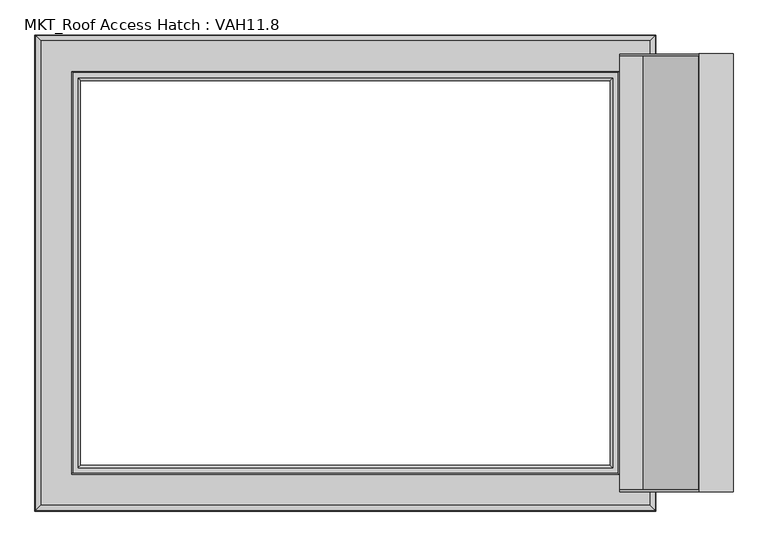
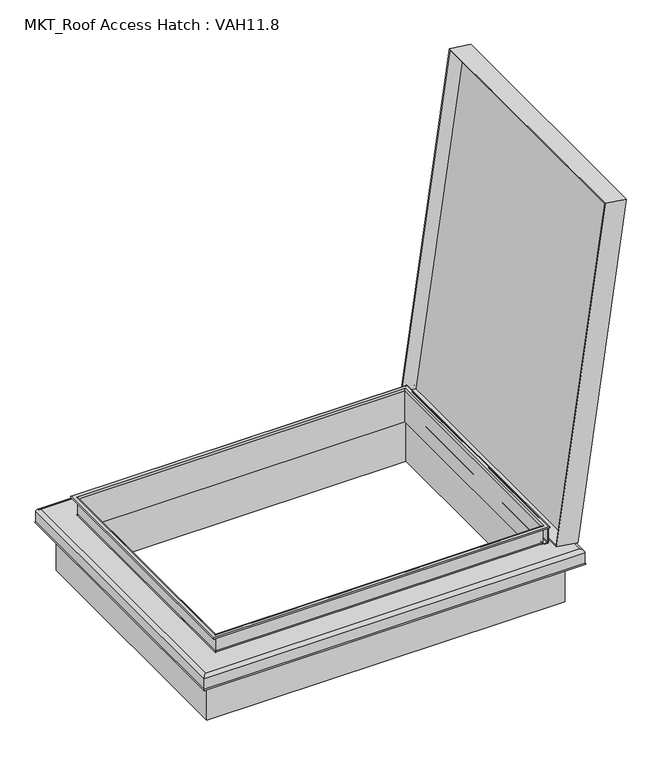
"""IFC4 building model written with IfcOpenShell, lengths in millimetres: proxy geometry, MKT_Roof Access Hatch : VAH11.8."""

from ifc_helpers import new_model, si_unit, point, frame, frame_2d, origin, origin_with_axes, place, context, project, spatial, polyline, circle_curve, ellipse_curve, trimmed, segment, composite_curve, outline, extrude, faceted_brep, source, transform, mapped, element, save
from ifc_brep_helpers import plane_surface, cylinder_surface, revolved_surface, advanced_brep


def mkt_roof_access_hatch_vah11_8_53b130dc(model_context):
    return source(origin(), model_context, "Body", "SolidModel", [
        faceted_brep([(569.0214917, 455.0, 215.4), (569.0214917, -455.0, 215.4), (733.2457509, -455.0, 1383.9163211), (733.2457509, 455.0, 1383.9163211), (569.7173572, 450.0, 220.3513403), (732.5498853, 450.0, 1378.9649808), (732.5498853, -450.0, 1378.9649808), (569.7173572, -450.0, 220.3513403), (640.3207927, 455.0, 205.3795367), (804.5450518, 455.0, 1373.8958578), (804.5450518, -455.0, 1373.8958578), (640.3207927, -455.0, 205.3795367), (617.2502245, 450.0, 213.6710315), (617.2502245, -450.0, 213.6710315), (780.0827526, -450.0, 1372.2846719), (780.0827526, 450.0, 1372.2846719)], [[[0, 1, 2, 3], [4, 5, 6, 7]], [[8, 9, 10, 11]], [[1, 0, 8, 11]], [[2, 1, 11, 10]], [[3, 2, 10, 9]], [[0, 3, 9, 8]], [[12, 13, 14, 15]], [[12, 15, 5, 4]], [[15, 14, 6, 5]], [[14, 13, 7, 6]], [[13, 12, 4, 7]]]),
        extrude(outline(composite_curve([segment(polyline([(261.5, 563.4), (261.5, 554.5), (259.5, 554.5), (259.5, 563.4)]), True, "CONTINUOUS"), segment(trimmed(circle_curve(frame_2d((256.9, 563.4)), 2.6), [point((259.5, 563.4))], [point((256.9, 566.0))], True, "CARTESIAN"), True, "CONTINUOUS"), segment(polyline([(256.9, 566.0), (207.1, 566.0)]), True, "CONTINUOUS"), segment(trimmed(circle_curve(frame_2d((207.1, 563.4)), 2.6), [point((207.1, 566.0))], [point((204.5, 563.4))], True, "CARTESIAN"), True, "CONTINUOUS"), segment(polyline([(204.5, 563.4), (204.5, 554.5), (202.5, 554.5), (202.5, 563.4)]), True, "CONTINUOUS"), segment(trimmed(circle_curve(frame_2d((207.1, 563.4)), 4.6), [point((202.5, 563.4))], [point((207.1, 568.0))], False, "CARTESIAN"), True, "CONTINUOUS"), segment(polyline([(207.1, 568.0), (256.9, 568.0)]), True, "CONTINUOUS"), segment(trimmed(circle_curve(frame_2d((256.9, 563.4)), 4.6), [point((256.9, 568.0))], [point((261.5, 563.4))], False, "CARTESIAN"), True, "CONTINUOUS")], self_intersect=False)), frame((0.0, -410.0, 0.0), z_axis=(0.0, 1.0, 0.0), x_axis=(0.0, 0.0, 1.0)), (0.0, 0.0, 1.0), 820.0),
        extrude(outline(polyline([(605.0, 439.4933468), (605.0, -442.0066532), (-605.0, -442.0066532), (-605.0, 439.4933468), (605.0, 439.4933468)]), holes=[polyline([(560.0, 410.0), (-560.0, 410.0), (-560.0, -410.0), (560.0, -410.0), (560.0, 410.0)])]), origin_with_axes(), (0.0, 0.0, 1.0), 199.5),
        advanced_brep(
        [(555.0, 405.0, 265.0), (550.0, 400.0, 260.0), (550.0, -400.0, 260.0), (555.0, -405.0, 265.0), (564.6688612, 414.6688612, 262.5), (566.25, 416.25, 265.0), (566.25, -416.25, 265.0), (564.6688612, -414.6688612, 262.5), (552.5, 402.5, 260.0), (555.0, 405.0, 262.5), (555.0, -405.0, 262.5), (552.5, -402.5, 260.0), (552.5, 402.5, 205.5), (552.5, -402.5, 205.5), (555.5, 405.5, 202.5), (555.5, -405.5, 202.5), (642.5, 492.5, 192.5), (632.5, 482.5, 202.5), (632.5, -482.5, 202.5), (642.5, -492.5, 192.5), (642.5, 492.5, 154.9494897), (642.5, -492.5, 154.9494897), (639.5, 489.5, 152.5), (639.5, -489.5, 152.5), (639.5, 489.5, 192.5), (639.5, -489.5, 192.5), (632.5, 482.5, 199.5), (632.5, -482.5, 199.5), (552.5, 402.5, 198.5), (553.5, 403.5, 199.5), (553.5, -403.5, 199.5), (552.5, -402.5, 198.5), (552.5, 402.5, 150.0), (552.5, -402.5, 150.0), (550.0, 400.0, 150.0), (550.0, -400.0, 150.0), (-550.0, -400.0, 260.0), (-555.0, -405.0, 265.0), (-566.25, -416.25, 265.0), (-564.6688612, -414.6688612, 262.5), (-555.0, -405.0, 262.5), (-552.5, -402.5, 260.0), (-552.5, -402.5, 205.5), (-555.5, -405.5, 202.5), (-632.5, -482.5, 202.5), (-642.5, -492.5, 192.5), (-642.5, -492.5, 154.9494897), (-639.5, -489.5, 152.5), (-639.5, -489.5, 192.5), (-632.5, -482.5, 199.5), (-553.5, -403.5, 199.5), (-552.5, -402.5, 198.5), (-552.5, -402.5, 150.0), (-550.0, -400.0, 150.0), (-550.0, 400.0, 260.0), (-555.0, 405.0, 265.0), (-566.25, 416.25, 265.0), (-564.6688612, 414.6688612, 262.5), (-555.0, 405.0, 262.5), (-552.5, 402.5, 260.0), (-552.5, 402.5, 205.5), (-555.5, 405.5, 202.5), (-632.5, 482.5, 202.5), (-642.5, 492.5, 192.5), (-642.5, 492.5, 154.9494897), (-639.5, 489.5, 152.5), (-639.5, 489.5, 192.5), (-632.5, 482.5, 199.5), (-553.5, 403.5, 199.5), (-552.5, 402.5, 198.5), (-552.5, 402.5, 150.0), (-550.0, 400.0, 150.0)],
        [
            (0, 1, ellipse_curve(frame((555.0, 405.0, 260.0), z_axis=(0.7071067811865475, -0.7071067811865475, 0.0), x_axis=(0.7071067811865474, 0.7071067811865476, 0.0)), 7.0710678, 5.0)),
            (1, 2),
            (2, 3, ellipse_curve(frame((555.0, -405.0, 260.0), z_axis=(0.7071067811865475, 0.7071067811865475, 0.0), x_axis=(-0.7071067811865474, 0.7071067811865476, 0.0)), 7.0710678, 5.0)),
            (3, 0),
            (4, 5, ellipse_curve(frame((566.25, 416.25, 263.25), z_axis=(0.7071067811865475, -0.7071067811865475, 0.0), x_axis=(0.7071067811865474, 0.7071067811865476, 0.0)), 2.4748737, 1.75)),
            (5, 6),
            (6, 7, ellipse_curve(frame((566.25, -416.25, 263.25), z_axis=(0.7071067811865475, 0.7071067811865475, 0.0), x_axis=(-0.7071067811865474, 0.7071067811865476, 0.0)), 2.4748737, 1.75)),
            (7, 4),
            (8, 9, ellipse_curve(frame((555.0, 405.0, 260.0), z_axis=(-0.7071067811865475, 0.7071067811865475, 0.0), x_axis=(-0.7071067811865474, -0.7071067811865476, 0.0)), 3.5355339, 2.5)),
            (9, 10),
            (10, 11, ellipse_curve(frame((555.0, -405.0, 260.0), z_axis=(-0.7071067811865475, -0.7071067811865475, 0.0), x_axis=(0.7071067811865474, -0.7071067811865476, 0.0)), 3.5355339, 2.5)),
            (11, 8),
            (12, 8),
            (11, 13),
            (13, 12),
            (14, 12, ellipse_curve(frame((555.5, 405.5, 205.5), z_axis=(-0.7071067811865475, 0.7071067811865475, 0.0), x_axis=(-0.7071067811865474, -0.7071067811865476, 0.0)), 4.2426407, 3.0)),
            (13, 15, ellipse_curve(frame((555.5, -405.5, 205.5), z_axis=(-0.7071067811865475, -0.7071067811865475, 0.0), x_axis=(0.7071067811865474, -0.7071067811865476, 0.0)), 4.2426407, 3.0)),
            (15, 14),
            (16, 17, ellipse_curve(frame((632.5, 482.5, 192.5), z_axis=(0.7071067811865475, -0.7071067811865475, 0.0), x_axis=(0.7071067811865474, 0.7071067811865476, 0.0)), 14.1421356, 10.0)),
            (17, 18),
            (18, 19, ellipse_curve(frame((632.5, -482.5, 192.5), z_axis=(0.7071067811865475, 0.7071067811865475, 0.0), x_axis=(-0.7071067811865474, 0.7071067811865476, 0.0)), 14.1421356, 10.0)),
            (19, 16),
            (20, 16),
            (19, 21),
            (21, 20),
            (22, 20, ellipse_curve(frame((642.0, 492.0, 152.5), z_axis=(0.7071067811865475, -0.7071067811865475, 0.0), x_axis=(0.7071067811865474, 0.7071067811865476, 0.0)), 3.5355339, 2.5)),
            (21, 23, ellipse_curve(frame((642.0, -492.0, 152.5), z_axis=(0.7071067811865475, 0.7071067811865475, 0.0), x_axis=(-0.7071067811865474, 0.7071067811865476, 0.0)), 3.5355339, 2.5)),
            (23, 22),
            (24, 22),
            (23, 25),
            (25, 24),
            (26, 24, ellipse_curve(frame((632.5, 482.5, 192.5), z_axis=(-0.7071067811865475, 0.7071067811865475, 0.0), x_axis=(-0.7071067811865474, -0.7071067811865476, 0.0)), 9.8994949, 7.0)),
            (25, 27, ellipse_curve(frame((632.5, -482.5, 192.5), z_axis=(-0.7071067811865475, -0.7071067811865475, 0.0), x_axis=(0.7071067811865474, -0.7071067811865476, 0.0)), 9.8994949, 7.0)),
            (27, 26),
            (28, 29, ellipse_curve(frame((553.5, 403.5, 198.5), z_axis=(-0.7071067811865475, 0.7071067811865475, 0.0), x_axis=(-0.7071067811865474, -0.7071067811865476, 0.0)), 1.4142136, 1.0)),
            (29, 30),
            (30, 31, ellipse_curve(frame((553.5, -403.5, 198.5), z_axis=(-0.7071067811865475, -0.7071067811865475, 0.0), x_axis=(0.7071067811865474, -0.7071067811865476, 0.0)), 1.4142136, 1.0)),
            (31, 28),
            (32, 28),
            (31, 33),
            (33, 32),
            (1, 34),
            (34, 35),
            (35, 2),
            (2, 36),
            (36, 37, ellipse_curve(frame((-555.0, -405.0, 260.0), z_axis=(0.7071067811865475, -0.7071067811865475, 0.0), x_axis=(0.7071067811865476, 0.7071067811865474, 0.0)), 7.0710678, 5.0)),
            (37, 3),
            (6, 38),
            (38, 39, ellipse_curve(frame((-566.25, -416.25, 263.25), z_axis=(0.7071067811865475, -0.7071067811865475, 0.0), x_axis=(0.7071067811865476, 0.7071067811865474, 0.0)), 2.4748737, 1.75)),
            (39, 7),
            (10, 40),
            (40, 41, ellipse_curve(frame((-555.0, -405.0, 260.0), z_axis=(-0.7071067811865475, 0.7071067811865475, 0.0), x_axis=(-0.7071067811865476, -0.7071067811865474, 0.0)), 3.5355339, 2.5)),
            (41, 11),
            (41, 42),
            (42, 13),
            (42, 43, ellipse_curve(frame((-555.5, -405.5, 205.5), z_axis=(-0.7071067811865475, 0.7071067811865475, 0.0), x_axis=(-0.7071067811865476, -0.7071067811865474, 0.0)), 4.2426407, 3.0)),
            (43, 15),
            (18, 44),
            (44, 45, ellipse_curve(frame((-632.5, -482.5, 192.5), z_axis=(0.7071067811865475, -0.7071067811865475, 0.0), x_axis=(0.7071067811865476, 0.7071067811865474, 0.0)), 14.1421356, 10.0)),
            (45, 19),
            (45, 46),
            (46, 21),
            (46, 47, ellipse_curve(frame((-642.0, -492.0, 152.5), z_axis=(0.7071067811865475, -0.7071067811865475, 0.0), x_axis=(0.7071067811865476, 0.7071067811865474, 0.0)), 3.5355339, 2.5)),
            (47, 23),
            (47, 48),
            (48, 25),
            (48, 49, ellipse_curve(frame((-632.5, -482.5, 192.5), z_axis=(-0.7071067811865475, 0.7071067811865475, 0.0), x_axis=(-0.7071067811865476, -0.7071067811865474, 0.0)), 9.8994949, 7.0)),
            (49, 27),
            (30, 50),
            (50, 51, ellipse_curve(frame((-553.5, -403.5, 198.5), z_axis=(-0.7071067811865475, 0.7071067811865475, 0.0), x_axis=(-0.7071067811865476, -0.7071067811865474, 0.0)), 1.4142136, 1.0)),
            (51, 31),
            (51, 52),
            (52, 33),
            (35, 53),
            (53, 36),
            (36, 54),
            (54, 55, ellipse_curve(frame((-555.0, 405.0, 260.0), z_axis=(-0.7071067811865475, -0.7071067811865475, 0.0), x_axis=(0.7071067811865474, -0.7071067811865476, 0.0)), 7.0710678, 5.0)),
            (55, 37),
            (38, 56),
            (56, 57, ellipse_curve(frame((-566.25, 416.25, 263.25), z_axis=(-0.7071067811865475, -0.7071067811865475, 0.0), x_axis=(0.7071067811865474, -0.7071067811865476, 0.0)), 2.4748737, 1.75)),
            (57, 39),
            (40, 58),
            (58, 59, ellipse_curve(frame((-555.0, 405.0, 260.0), z_axis=(0.7071067811865475, 0.7071067811865475, 0.0), x_axis=(-0.7071067811865474, 0.7071067811865476, 0.0)), 3.5355339, 2.5)),
            (59, 41),
            (59, 60),
            (60, 42),
            (60, 61, ellipse_curve(frame((-555.5, 405.5, 205.5), z_axis=(0.7071067811865475, 0.7071067811865475, 0.0), x_axis=(-0.7071067811865474, 0.7071067811865476, 0.0)), 4.2426407, 3.0)),
            (61, 43),
            (44, 62),
            (62, 63, ellipse_curve(frame((-632.5, 482.5, 192.5), z_axis=(-0.7071067811865475, -0.7071067811865475, 0.0), x_axis=(0.7071067811865474, -0.7071067811865476, 0.0)), 14.1421356, 10.0)),
            (63, 45),
            (63, 64),
            (64, 46),
            (64, 65, ellipse_curve(frame((-642.0, 492.0, 152.5), z_axis=(-0.7071067811865475, -0.7071067811865475, 0.0), x_axis=(0.7071067811865474, -0.7071067811865476, 0.0)), 3.5355339, 2.5)),
            (65, 47),
            (65, 66),
            (66, 48),
            (66, 67, ellipse_curve(frame((-632.5, 482.5, 192.5), z_axis=(0.7071067811865475, 0.7071067811865475, 0.0), x_axis=(-0.7071067811865474, 0.7071067811865476, 0.0)), 9.8994949, 7.0)),
            (67, 49),
            (50, 68),
            (68, 69, ellipse_curve(frame((-553.5, 403.5, 198.5), z_axis=(0.7071067811865475, 0.7071067811865475, 0.0), x_axis=(-0.7071067811865474, 0.7071067811865476, 0.0)), 1.4142136, 1.0)),
            (69, 51),
            (69, 70),
            (70, 52),
            (53, 71),
            (71, 54),
            (54, 1),
            (0, 55),
            (5, 56),
            (4, 57),
            (9, 58),
            (8, 59),
            (12, 60),
            (14, 61),
            (17, 62),
            (16, 63),
            (20, 64),
            (22, 65),
            (24, 66),
            (26, 67),
            (29, 68),
            (28, 69),
            (32, 70),
            (34, 71),
        ],
        [
            cylinder_surface(frame((555.0, 494.5, 260.0), z_axis=(0.0, 1.0, 0.0), x_axis=(-1.0, 0.0, 0.0)), 5.0),
            cylinder_surface(frame((566.25, 494.5, 263.25), z_axis=(0.0, 1.0, 0.0), x_axis=(-1.0, 0.0, 0.0)), 1.75),
            revolved_surface(polyline([(552.5, -407.49999999580496, 260.0), (552.5, 407.49999999580496, 260.0)]), (555.0, 494.5, 260.0), (0.0, -1.0, 0.0)),
            plane_surface(frame((552.5, 402.5, 260.0), z_axis=(1.0, 0.0, 0.0), x_axis=(0.0, -1.0, 0.0))),
            revolved_surface(polyline([(552.5, -408.500000009108, 205.5), (552.5, 408.500000009108, 205.5)]), (555.5, 494.5, 205.5), (0.0, -1.0, 0.0)),
            cylinder_surface(frame((632.5, 494.5, 192.5), z_axis=(0.0, 1.0, 0.0), x_axis=(-1.0, 0.0, 0.0)), 10.0),
            plane_surface(frame((642.5, 492.5, 192.5), z_axis=(1.0, 0.0, 0.0), x_axis=(0.0, -1.0, 0.0))),
            cylinder_surface(frame((642.0, 494.5, 152.5), z_axis=(0.0, 1.0, 0.0), x_axis=(-1.0, 0.0, 0.0)), 2.5),
            plane_surface(frame((639.5, 489.5, 152.5), z_axis=(-1.0, 0.0, 0.0), x_axis=(0.0, -1.0, 0.0))),
            revolved_surface(polyline([(625.5, -489.5, 192.5), (625.5, 489.5, 192.5)]), (632.5, 494.5, 192.5), (0.0, -1.0, 0.0)),
            revolved_surface(polyline([(552.5, -404.50000002660624, 198.5), (552.5, 404.50000002660624, 198.5)]), (553.5, 494.5, 198.5), (0.0, -1.0, 0.0)),
            plane_surface(frame((552.5, 402.5, 198.5), z_axis=(1.0, 0.0, 0.0), x_axis=(0.0, -1.0, 0.0))),
            plane_surface(frame((550.0, 400.0, 150.0), z_axis=(-1.0, 0.0, 0.0), x_axis=(0.0, -1.0, 0.0))),
            cylinder_surface(frame((644.5, -405.0, 260.0), z_axis=(1.0, 0.0, 0.0), x_axis=(0.0, 1.0, 0.0)), 5.0),
            cylinder_surface(frame((644.5, -416.25, 263.25), z_axis=(1.0, 0.0, 0.0), x_axis=(0.0, 1.0, 0.0)), 1.75),
            revolved_surface(polyline([(-557.499999995805, -402.5, 260.0), (557.499999995805, -402.5, 260.0)]), (644.5, -405.0, 260.0), (-1.0, 0.0, 0.0)),
            plane_surface(frame((552.5, -402.5, 260.0), z_axis=(0.0, -1.0, 0.0), x_axis=(-1.0, 0.0, 0.0))),
            revolved_surface(polyline([(-558.5000000091081, -402.5, 205.5), (558.500000009108, -402.5, 205.5)]), (644.5, -405.5, 205.5), (-1.0, 0.0, 0.0)),
            cylinder_surface(frame((644.5, -482.5, 192.5), z_axis=(1.0, 0.0, 0.0), x_axis=(0.0, 1.0, 0.0)), 10.0),
            plane_surface(frame((642.5, -492.5, 192.5), z_axis=(0.0, -1.0, 0.0), x_axis=(-1.0, 0.0, 0.0))),
            cylinder_surface(frame((644.5, -492.0, 152.5), z_axis=(1.0, 0.0, 0.0), x_axis=(0.0, 1.0, 0.0)), 2.5),
            plane_surface(frame((639.5, -489.5, 152.5), z_axis=(0.0, 1.0, 0.0), x_axis=(-1.0, 0.0, 0.0))),
            revolved_surface(polyline([(-639.5, -475.5, 192.5), (639.5, -475.5, 192.5)]), (644.5, -482.5, 192.5), (-1.0, 0.0, 0.0)),
            revolved_surface(polyline([(-554.5000000266061, -402.5, 198.5), (554.5000000266062, -402.5, 198.5)]), (644.5, -403.5, 198.5), (-1.0, 0.0, 0.0)),
            plane_surface(frame((552.5, -402.5, 198.5), z_axis=(0.0, -1.0, 0.0), x_axis=(-1.0, 0.0, 0.0))),
            plane_surface(frame((550.0, -400.0, 150.0), z_axis=(0.0, 1.0, 0.0), x_axis=(-1.0, 0.0, 0.0))),
            cylinder_surface(frame((-555.0, -494.5, 260.0), z_axis=(0.0, -1.0, 0.0), x_axis=(1.0, 0.0, 0.0)), 5.0),
            cylinder_surface(frame((-566.25, -494.5, 263.25), z_axis=(0.0, -1.0, 0.0), x_axis=(1.0, 0.0, 0.0)), 1.75),
            revolved_surface(polyline([(-552.5, 407.49999999580496, 260.0), (-552.5, -407.49999999580496, 260.0)]), (-555.0, -494.5, 260.0), (0.0, 1.0, 0.0)),
            plane_surface(frame((-552.5, -402.5, 260.0), z_axis=(-1.0, 0.0, 0.0), x_axis=(0.0, 1.0, 0.0))),
            revolved_surface(polyline([(-552.5, 408.500000009108, 205.5), (-552.5, -408.500000009108, 205.5)]), (-555.5, -494.5, 205.5), (0.0, 1.0, 0.0)),
            cylinder_surface(frame((-632.5, -494.5, 192.5), z_axis=(0.0, -1.0, 0.0), x_axis=(1.0, 0.0, 0.0)), 10.0),
            plane_surface(frame((-642.5, -492.5, 192.5), z_axis=(-1.0, 0.0, 0.0), x_axis=(0.0, 1.0, 0.0))),
            cylinder_surface(frame((-642.0, -494.5, 152.5), z_axis=(0.0, -1.0, 0.0), x_axis=(1.0, 0.0, 0.0)), 2.5),
            plane_surface(frame((-639.5, -489.5, 152.5), z_axis=(1.0, 0.0, 0.0), x_axis=(0.0, 1.0, 0.0))),
            revolved_surface(polyline([(-625.5, 489.5, 192.5), (-625.5, -489.5, 192.5)]), (-632.5, -494.5, 192.5), (0.0, 1.0, 0.0)),
            revolved_surface(polyline([(-552.5, 404.50000002660624, 198.5), (-552.5, -404.50000002660624, 198.5)]), (-553.5, -494.5, 198.5), (0.0, 1.0, 0.0)),
            plane_surface(frame((-552.5, -402.5, 198.5), z_axis=(-1.0, 0.0, 0.0), x_axis=(0.0, 1.0, 0.0))),
            plane_surface(frame((-550.0, -400.0, 150.0), z_axis=(1.0, 0.0, 0.0), x_axis=(0.0, 1.0, 0.0))),
            cylinder_surface(frame((-644.5, 405.0, 260.0), z_axis=(-1.0, 0.0, 0.0), x_axis=(0.0, -1.0, 0.0)), 5.0),
            plane_surface(frame((-555.0, 405.0, 265.0), z_axis=(0.0, 0.0, 1.0), x_axis=(1.0, 0.0, 0.0))),
            cylinder_surface(frame((-644.5, 416.25, 263.25), z_axis=(-1.0, 0.0, 0.0), x_axis=(0.0, -1.0, 0.0)), 1.75),
            plane_surface(frame((-564.6688612, 414.6688612, 262.5), z_axis=(0.0, 0.0, -1.0), x_axis=(1.0, 0.0, 0.0))),
            revolved_surface(polyline([(557.499999995805, 402.5, 260.0), (-557.499999995805, 402.5, 260.0)]), (-644.5, 405.0, 260.0), (1.0, 0.0, 0.0)),
            plane_surface(frame((-552.5, 402.5, 260.0), z_axis=(0.0, 1.0, 0.0), x_axis=(1.0, 0.0, 0.0))),
            revolved_surface(polyline([(558.5000000091081, 402.5, 205.5), (-558.500000009108, 402.5, 205.5)]), (-644.5, 405.5, 205.5), (1.0, 0.0, 0.0)),
            plane_surface(frame((-555.5, 405.5, 202.5), z_axis=(0.0, 0.0, 1.0), x_axis=(1.0, 0.0, 0.0))),
            cylinder_surface(frame((-644.5, 482.5, 192.5), z_axis=(-1.0, 0.0, 0.0), x_axis=(0.0, -1.0, 0.0)), 10.0),
            plane_surface(frame((-642.5, 492.5, 192.5), z_axis=(0.0, 1.0, 0.0), x_axis=(1.0, 0.0, 0.0))),
            cylinder_surface(frame((-644.5, 492.0, 152.5), z_axis=(-1.0, 0.0, 0.0), x_axis=(0.0, -1.0, 0.0)), 2.5),
            plane_surface(frame((-639.5, 489.5, 152.5), z_axis=(0.0, -1.0, 0.0), x_axis=(1.0, 0.0, 0.0))),
            revolved_surface(polyline([(639.5, 475.5, 192.5), (-639.5, 475.5, 192.5)]), (-644.5, 482.5, 192.5), (1.0, 0.0, 0.0)),
            plane_surface(frame((-632.5, 482.5, 199.5), z_axis=(0.0, 0.0, -1.0), x_axis=(1.0, 0.0, 0.0))),
            revolved_surface(polyline([(554.5000000266061, 402.5, 198.5), (-554.5000000266062, 402.5, 198.5)]), (-644.5, 403.5, 198.5), (1.0, 0.0, 0.0)),
            plane_surface(frame((-552.5, 402.5, 198.5), z_axis=(0.0, 1.0, 0.0), x_axis=(1.0, 0.0, 0.0))),
            plane_surface(frame((-552.5, 402.5, 150.0), z_axis=(0.0, 0.0, -1.0), x_axis=(1.0, 0.0, 0.0))),
            plane_surface(frame((-550.0, 400.0, 150.0), z_axis=(0.0, -1.0, 0.0), x_axis=(1.0, 0.0, 0.0))),
        ],
        [
            (0, [[1, 2, 3, 4]]),
            (1, [[5, 6, 7, 8]]),
            (2, [[9, 10, 11, 12]]),
            (3, [[13, -12, 14, 15]]),
            (4, [[16, -15, 17, 18]]),
            (5, [[19, 20, 21, 22]]),
            (6, [[23, -22, 24, 25]]),
            (7, [[26, -25, 27, 28]]),
            (8, [[29, -28, 30, 31]]),
            (9, [[32, -31, 33, 34]]),
            (10, [[35, 36, 37, 38]]),
            (11, [[39, -38, 40, 41]]),
            (12, [[42, 43, 44, -2]]),
            (13, [[-3, 45, 46, 47]]),
            (14, [[-7, 48, 49, 50]]),
            (15, [[-11, 51, 52, 53]]),
            (16, [[-14, -53, 54, 55]]),
            (17, [[-17, -55, 56, 57]]),
            (18, [[-21, 58, 59, 60]]),
            (19, [[-24, -60, 61, 62]]),
            (20, [[-27, -62, 63, 64]]),
            (21, [[-30, -64, 65, 66]]),
            (22, [[-33, -66, 67, 68]]),
            (23, [[-37, 69, 70, 71]]),
            (24, [[-40, -71, 72, 73]]),
            (25, [[-44, 74, 75, -45]]),
            (26, [[-46, 76, 77, 78]]),
            (27, [[-49, 79, 80, 81]]),
            (28, [[-52, 82, 83, 84]]),
            (29, [[-54, -84, 85, 86]]),
            (30, [[-56, -86, 87, 88]]),
            (31, [[-59, 89, 90, 91]]),
            (32, [[-61, -91, 92, 93]]),
            (33, [[-63, -93, 94, 95]]),
            (34, [[-65, -95, 96, 97]]),
            (35, [[-67, -97, 98, 99]]),
            (36, [[-70, 100, 101, 102]]),
            (37, [[-72, -102, 103, 104]]),
            (38, [[-75, 105, 106, -76]]),
            (39, [[-77, 107, -1, 108]]),
            (40, [[109, -79, -48, -6], [-47, -78, -108, -4]]),
            (41, [[-80, -109, -5, 110]]),
            (42, [[-50, -81, -110, -8], [111, -82, -51, -10]]),
            (43, [[-83, -111, -9, 112]]),
            (44, [[-85, -112, -13, 113]]),
            (45, [[-87, -113, -16, 114]]),
            (46, [[115, -89, -58, -20], [-57, -88, -114, -18]]),
            (47, [[-90, -115, -19, 116]]),
            (48, [[-92, -116, -23, 117]]),
            (49, [[-94, -117, -26, 118]]),
            (50, [[-96, -118, -29, 119]]),
            (51, [[-98, -119, -32, 120]]),
            (52, [[-68, -99, -120, -34], [121, -100, -69, -36]]),
            (53, [[-101, -121, -35, 122]]),
            (54, [[-103, -122, -39, 123]]),
            (55, [[-73, -104, -123, -41], [124, -105, -74, -43]]),
            (56, [[-106, -124, -42, -107]]),
        ],
    ),
    ])


if __name__ == "__main__":
    model = new_model("IFC4")
    model_context = context("Model", 3, world=origin())
    ifc_project = project(units=[si_unit("LENGTHUNIT", "METRE", prefix="MILLI")], contexts=[model_context])
    site = spatial("IfcSite", under=ifc_project)
    building = spatial("IfcBuilding", under=site)
    placement = place(None, origin())
    mkt_roof_access_hatch_vah11_8_shape = mkt_roof_access_hatch_vah11_8_53b130dc(model_context)
    element("IfcBuildingElementProxy", 1, Name="MKT_Roof Access Hatch : VAH11.8", ObjectType="MKT_Roof Access Hatch : VAH11.8", at=placement, inside=building, context=model_context, shape_type="MappedRepresentation", body=[
        mapped(mkt_roof_access_hatch_vah11_8_shape, transform((0.0, 0.0, 0.0), x_axis=(1.0, 0.0, 0.0), y_axis=(0.0, 1.0, 0.0), z_axis=(0.0, 0.0, 1.0))),
    ])
    save(model, "model.ifc")
